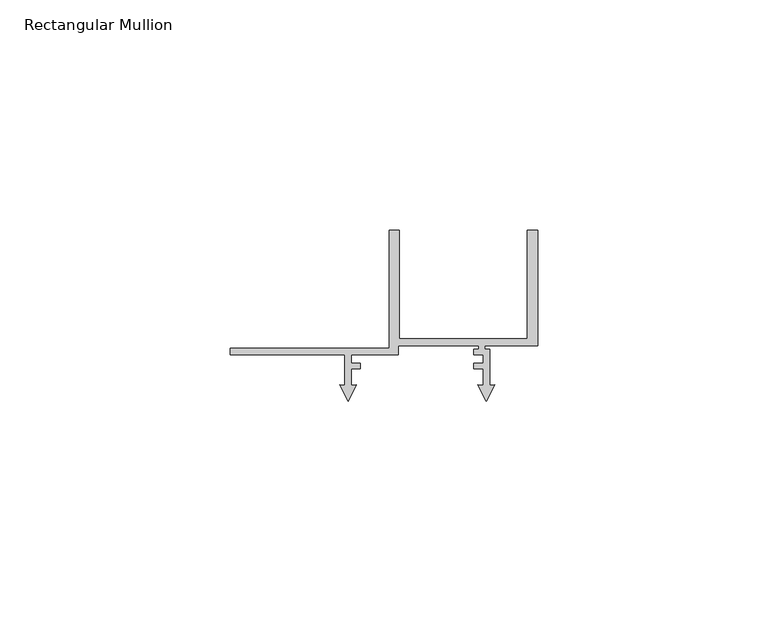
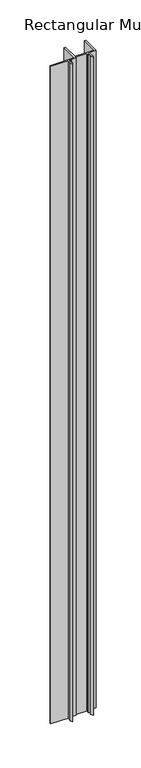
"""IFC4 building model written with IfcOpenShell, lengths in millimetres: member geometry, Rectangular Mullion."""

from ifc_helpers import new_model, si_unit, frame, origin, place, context, project, spatial, polyline, outline, extrude, source, transform, mapped, element, save


def rectangular_mullion_e1f336e5(model_context):
    return source(origin(), model_context, "Body", "SweptSolid", [
        extrude(outline(polyline([(-66.6, 36.1000494), (-32.2, 36.1000494), (-32.2, 61.6000494), (-30.0, 61.6000494), (-30.0, 38.1000494), (-2.2, 38.1000494), (-2.2, 61.6000494), (0.0, 61.6000494), (0.0, 36.6000494), (-11.4, 36.6000494), (-11.4, 35.8015754), (-10.3999985, 35.8015754), (-10.3999985, 28.0038712), (-9.284262, 28.1014855), (-11.0999986, 24.537898), (-12.9157351, 28.1014855), (-11.7999987, 28.0038712), (-11.7999987, 31.5979618), (-13.7875618, 31.5979618), (-13.7875618, 32.8000494), (-11.8091794, 32.8000494), (-11.8091794, 34.6000494), (-13.7880766, 34.6000494), (-13.7880766, 35.8015754), (-12.8, 35.8015754), (-12.8, 36.6000494), (-30.1732051, 36.6000494), (-30.1732051, 34.6000494), (-40.3999995, 34.6000494), (-40.3999995, 32.8000494), (-38.4077357, 32.8000494), (-38.4077357, 31.599221), (-40.3999998, 31.599221), (-40.3999998, 28.0071867), (-39.2744672, 28.1056581), (-41.0999986, 24.5228474), (-42.9255299, 28.1056578), (-41.8, 28.0071867), (-41.8, 34.6000494), (-66.6, 34.6000494), (-66.6, 36.1000494)])), frame((0.0, 0.0, -1000.0), z_axis=(0.0, 0.0, 1.0), x_axis=(1.0, 0.0, 0.0)), (0.0, 0.0, 1.0), 1000.0),
    ])


if __name__ == "__main__":
    model = new_model("IFC4")
    model_context = context("Model", 3, world=origin())
    ifc_project = project(units=[si_unit("LENGTHUNIT", "METRE", prefix="MILLI")], contexts=[model_context])
    site = spatial("IfcSite", under=ifc_project)
    building = spatial("IfcBuilding", under=site)
    placement = place(None, origin())
    rectangular_mullion_shape = rectangular_mullion_e1f336e5(model_context)
    element("IfcMember", 1, ObjectType="Rectangular Mullion", at=placement, inside=building, context=model_context, shape_type="MappedRepresentation", body=[
        mapped(rectangular_mullion_shape, transform((0.0, 0.0, 0.0), x_axis=(1.0, 0.0, 0.0), y_axis=(0.0, 1.0, 0.0), z_axis=(0.0, 0.0, 1.0))),
    ])
    save(model, "model.ifc")
